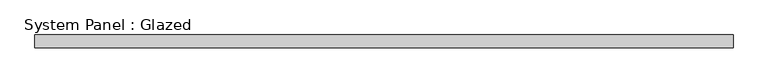
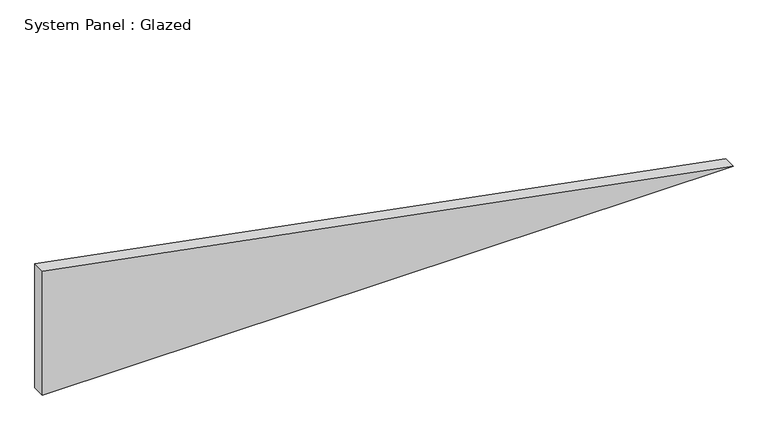
"""IFC4 building model written with IfcOpenShell, lengths in millimetres: plate geometry, System Panel : Glazed."""

from ifc_helpers import new_model, si_unit, frame, origin, place, context, project, spatial, polyline, outline, extrude, source, transform, mapped, element, save


def system_panel_glazed_0f574ae1(model_context):
    return source(origin(), model_context, "Body", "SweptSolid", [
        extrude(outline(polyline([(0.0, -669.9623622), (0.0, 669.9623622), (254.379143, -669.9623622), (0.0, -669.9623622)])), frame((0.0, 24.5, 0.0), z_axis=(0.0, 1.0, 0.0), x_axis=(0.0, 0.0, 1.0)), (0.0, 0.0, 1.0), 25.0),
    ])


if __name__ == "__main__":
    model = new_model("IFC4")
    model_context = context("Model", 3, world=origin())
    ifc_project = project(units=[si_unit("LENGTHUNIT", "METRE", prefix="MILLI")], contexts=[model_context])
    site = spatial("IfcSite", under=ifc_project)
    building = spatial("IfcBuilding", under=site)
    placement = place(None, origin())
    system_panel_glazed_shape = system_panel_glazed_0f574ae1(model_context)
    element("IfcPlate", 1, ObjectType="System Panel : Glazed", at=placement, inside=building, context=model_context, shape_type="MappedRepresentation", body=[
        mapped(system_panel_glazed_shape, transform((0.0, 0.0, 0.0), x_axis=(1.0, 0.0, 0.0), y_axis=(0.0, 1.0, 0.0), z_axis=(0.0, 0.0, 1.0))),
    ])
    save(model, "model.ifc")
